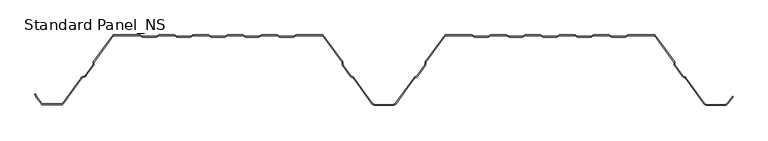
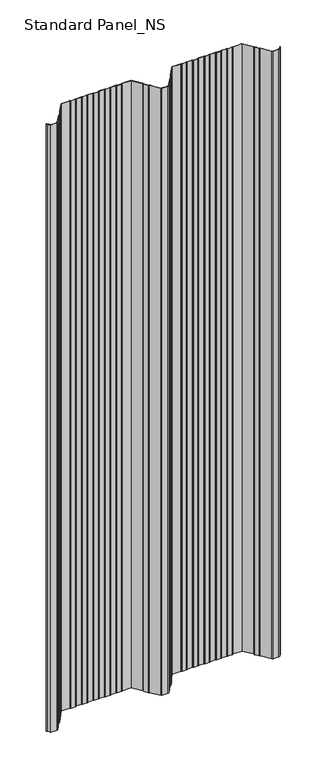
"""IFC4 building model written with IfcOpenShell, lengths in millimetres: proxy geometry, Standard Panel_NS."""

from ifc_helpers import new_model, si_unit, point, frame, frame_2d, origin, place, context, project, spatial, polyline, circle_curve, trimmed, segment, composite_curve, outline, extrude, source, transform, mapped, element, save


def standard_panel_ns_bf7d8505(model_context):
    return source(origin(), model_context, "Body", "SweptSolid", [
        extrude(outline(composite_curve([segment(polyline([(-491.8230656, -98.864737), (-498.391455, -89.8048897), (-500.5883845, -85.4014829), (-499.6935696, -84.9550455), (-497.5334489, -89.2846747), (-491.0134552, -98.2777695)]), True, "CONTINUOUS"), segment(trimmed(circle_curve(frame_2d((-489.5977664, -97.2513951)), 1.7486049), [point((-491.0134552, -98.2777695))], [point((-489.5977664, -99.0))], True, "CARTESIAN"), True, "CONTINUOUS"), segment(polyline([(-489.5977664, -99.0), (-462.4022336, -99.0)]), True, "CONTINUOUS"), segment(trimmed(circle_curve(frame_2d((-462.4022336, -97.2513951)), 1.7486049), [point((-462.4022336, -99.0))], [point((-460.9865448, -98.2777695))], True, "CARTESIAN"), True, "CONTINUOUS"), segment(polyline([(-460.9865448, -98.2777695), (-434.1908292, -61.3181617)]), True, "CONTINUOUS"), segment(trimmed(circle_curve(frame_2d((-431.96553, -62.9315037)), 2.7486049), [point((-434.1908292, -61.3181617))], [point((-432.9221697, -60.3547481))], False, "CARTESIAN"), True, "CONTINUOUS"), segment(polyline([(-432.9221697, -60.3547481), (-429.1284966, -58.9463185)]), True, "CONTINUOUS"), segment(trimmed(circle_curve(frame_2d((-429.7370908, -57.3070406)), 1.7486049), [point((-429.1284966, -58.9463185))], [point((-428.321402, -58.333415))], True, "CARTESIAN"), True, "CONTINUOUS"), segment(polyline([(-428.321402, -58.333415), (-417.5718646, -43.5064668)]), True, "CONTINUOUS"), segment(trimmed(circle_curve(frame_2d((-418.9875533, -42.4800924)), 1.7486049), [point((-417.5718646, -43.5064668))], [point((-417.240299, -42.5488047))], True, "CARTESIAN"), True, "CONTINUOUS"), segment(polyline([(-417.240299, -42.5488047), (-417.1521237, -40.3066321)]), True, "CONTINUOUS"), segment(trimmed(circle_curve(frame_2d((-414.4056417, -40.4146398)), 2.7486049), [point((-417.1521237, -40.3066321))], [point((-416.6309409, -38.8012978))], False, "CARTESIAN"), True, "CONTINUOUS"), segment(polyline([(-416.6309409, -38.8012978), (-388.5, 0.0), (-350.1655439, 0.0)]), True, "CONTINUOUS"), segment(trimmed(circle_curve(frame_2d((-350.1655439, -2.7486049)), 2.7486049), [point((-350.1655439, 0.0))], [point((-348.6408923, -0.4616274))], False, "CARTESIAN"), True, "CONTINUOUS"), segment(polyline([(-348.6408923, -0.4616274), (-346.7738498, -1.7063223)]), True, "CONTINUOUS"), segment(trimmed(circle_curve(frame_2d((-345.8038984, -0.2513951)), 1.7486049), [point((-346.7738498, -1.7063223))], [point((-345.8038984, -2.0))], True, "CARTESIAN"), True, "CONTINUOUS"), segment(polyline([(-345.8038984, -2.0), (-326.8627683, -2.0)]), True, "CONTINUOUS"), segment(trimmed(circle_curve(frame_2d((-326.8627683, -0.2513951)), 1.7486049), [point((-326.8627683, -2.0))], [point((-325.8928168, -1.7063223))], True, "CARTESIAN"), True, "CONTINUOUS"), segment(polyline([(-325.8928168, -1.7063223), (-324.0257744, -0.4616274)]), True, "CONTINUOUS"), segment(trimmed(circle_curve(frame_2d((-322.5011227, -2.7486049)), 2.7486049), [point((-324.0257744, -0.4616274))], [point((-322.5011227, 0.0))], False, "CARTESIAN"), True, "CONTINUOUS"), segment(polyline([(-322.5011227, 0.0), (-300.9988773, 0.0)]), True, "CONTINUOUS"), segment(trimmed(circle_curve(frame_2d((-300.9988773, -2.7486049)), 2.7486049), [point((-300.9988773, 0.0))], [point((-299.4742256, -0.4616274))], False, "CARTESIAN"), True, "CONTINUOUS"), segment(polyline([(-299.4742256, -0.4616274), (-297.6071832, -1.7063223)]), True, "CONTINUOUS"), segment(trimmed(circle_curve(frame_2d((-296.6372317, -0.2513951)), 1.7486049), [point((-297.6071832, -1.7063223))], [point((-296.6372317, -2.0))], True, "CARTESIAN"), True, "CONTINUOUS"), segment(polyline([(-296.6372317, -2.0), (-277.6961016, -2.0)]), True, "CONTINUOUS"), segment(trimmed(circle_curve(frame_2d((-277.6961016, -0.2513951)), 1.7486049), [point((-277.6961016, -2.0))], [point((-276.7261502, -1.7063223))], True, "CARTESIAN"), True, "CONTINUOUS"), segment(polyline([(-276.7261502, -1.7063223), (-274.8591077, -0.4616274)]), True, "CONTINUOUS"), segment(trimmed(circle_curve(frame_2d((-273.3344561, -2.7486049)), 2.7486049), [point((-274.8591077, -0.4616274))], [point((-273.3344561, 0.0))], False, "CARTESIAN"), True, "CONTINUOUS"), segment(polyline([(-273.3344561, 0.0), (-251.8322106, 0.0)]), True, "CONTINUOUS"), segment(trimmed(circle_curve(frame_2d((-251.8322106, -2.7486049)), 2.7486049), [point((-251.8322106, 0.0))], [point((-250.3075589, -0.4616274))], False, "CARTESIAN"), True, "CONTINUOUS"), segment(polyline([(-250.3075589, -0.4616274), (-248.4405165, -1.7063223)]), True, "CONTINUOUS"), segment(trimmed(circle_curve(frame_2d((-247.470565, -0.2513951)), 1.7486049), [point((-248.4405165, -1.7063223))], [point((-247.470565, -2.0))], True, "CARTESIAN"), True, "CONTINUOUS"), segment(polyline([(-247.470565, -2.0), (-228.529435, -2.0)]), True, "CONTINUOUS"), segment(trimmed(circle_curve(frame_2d((-228.529435, -0.2513951)), 1.7486049), [point((-228.529435, -2.0))], [point((-227.5594835, -1.7063223))], True, "CARTESIAN"), True, "CONTINUOUS"), segment(polyline([(-227.5594835, -1.7063223), (-225.6924411, -0.4616274)]), True, "CONTINUOUS"), segment(trimmed(circle_curve(frame_2d((-224.1677894, -2.7486049)), 2.7486049), [point((-225.6924411, -0.4616274))], [point((-224.1677894, 0.0))], False, "CARTESIAN"), True, "CONTINUOUS"), segment(polyline([(-224.1677894, 0.0), (-202.6655439, 0.0)]), True, "CONTINUOUS"), segment(trimmed(circle_curve(frame_2d((-202.6655439, -2.7486049)), 2.7486049), [point((-202.6655439, 0.0))], [point((-201.1408923, -0.4616274))], False, "CARTESIAN"), True, "CONTINUOUS"), segment(polyline([(-201.1408923, -0.4616274), (-199.2738498, -1.7063223)]), True, "CONTINUOUS"), segment(trimmed(circle_curve(frame_2d((-198.3038984, -0.2513951)), 1.7486049), [point((-199.2738498, -1.7063223))], [point((-198.3038984, -2.0))], True, "CARTESIAN"), True, "CONTINUOUS"), segment(polyline([(-198.3038984, -2.0), (-179.3627683, -2.0)]), True, "CONTINUOUS"), segment(trimmed(circle_curve(frame_2d((-179.3627683, -0.2513951)), 1.7486049), [point((-179.3627683, -2.0))], [point((-178.3928168, -1.7063223))], True, "CARTESIAN"), True, "CONTINUOUS"), segment(polyline([(-178.3928168, -1.7063223), (-176.5257744, -0.4616274)]), True, "CONTINUOUS"), segment(trimmed(circle_curve(frame_2d((-175.0011227, -2.7486049)), 2.7486049), [point((-176.5257744, -0.4616274))], [point((-175.0011227, 0.0))], False, "CARTESIAN"), True, "CONTINUOUS"), segment(polyline([(-175.0011227, 0.0), (-153.4988773, 0.0)]), True, "CONTINUOUS"), segment(trimmed(circle_curve(frame_2d((-153.4988773, -2.7486049)), 2.7486049), [point((-153.4988773, 0.0))], [point((-151.9742256, -0.4616274))], False, "CARTESIAN"), True, "CONTINUOUS"), segment(polyline([(-151.9742256, -0.4616274), (-150.1071832, -1.7063223)]), True, "CONTINUOUS"), segment(trimmed(circle_curve(frame_2d((-149.1372317, -0.2513951)), 1.7486049), [point((-150.1071832, -1.7063223))], [point((-149.1372317, -2.0))], True, "CARTESIAN"), True, "CONTINUOUS"), segment(polyline([(-149.1372317, -2.0), (-130.1961016, -2.0)]), True, "CONTINUOUS"), segment(trimmed(circle_curve(frame_2d((-130.1961016, -0.2513951)), 1.7486049), [point((-130.1961016, -2.0))], [point((-129.2261502, -1.7063223))], True, "CARTESIAN"), True, "CONTINUOUS"), segment(polyline([(-129.2261502, -1.7063223), (-127.3591077, -0.4616274)]), True, "CONTINUOUS"), segment(trimmed(circle_curve(frame_2d((-125.8344561, -2.7486049)), 2.7486049), [point((-127.3591077, -0.4616274))], [point((-125.8344561, 0.0))], False, "CARTESIAN"), True, "CONTINUOUS"), segment(polyline([(-125.8344561, 0.0), (-87.5, 0.0), (-59.3690591, -38.8012978)]), True, "CONTINUOUS"), segment(trimmed(circle_curve(frame_2d((-61.5943583, -40.4146398)), 2.7486049), [point((-59.3690591, -38.8012978))], [point((-58.8478763, -40.3066321))], False, "CARTESIAN"), True, "CONTINUOUS"), segment(polyline([(-58.8478763, -40.3066321), (-58.759701, -42.5488047)]), True, "CONTINUOUS"), segment(trimmed(circle_curve(frame_2d((-57.0124467, -42.4800924)), 1.7486049), [point((-58.759701, -42.5488047))], [point((-58.4281354, -43.5064668))], True, "CARTESIAN"), True, "CONTINUOUS"), segment(polyline([(-58.4281354, -43.5064668), (-47.3103063, -58.8414035)]), True, "CONTINUOUS"), segment(trimmed(circle_curve(frame_2d((-45.8946175, -57.8150291)), 1.7486049), [point((-47.3103063, -58.8414035))], [point((-46.5032117, -59.4543071))], True, "CARTESIAN"), True, "CONTINUOUS"), segment(polyline([(-46.5032117, -59.4543071), (-44.3996004, -60.2352885)]), True, "CONTINUOUS"), segment(trimmed(circle_curve(frame_2d((-45.3562402, -62.8120441)), 2.7486049), [point((-44.3996004, -60.2352885))], [point((-43.1309409, -61.1987022))], False, "CARTESIAN"), True, "CONTINUOUS"), segment(polyline([(-43.1309409, -61.1987022), (-16.4972426, -97.9348379)]), True, "CONTINUOUS"), segment(trimmed(circle_curve(frame_2d((-12.4491903, -95.0)), 5.0), [point((-16.4972426, -97.9348379))], [point((-12.4491903, -100.0))], True, "CARTESIAN"), True, "CONTINUOUS"), segment(polyline([(-12.4491903, -100.0), (12.4491903, -100.0)]), True, "CONTINUOUS"), segment(trimmed(circle_curve(frame_2d((12.4491903, -95.0)), 5.0), [point((12.4491903, -100.0))], [point((16.4972426, -97.9348379))], True, "CARTESIAN"), True, "CONTINUOUS"), segment(polyline([(16.4972426, -97.9348379), (43.1309409, -61.1987022)]), True, "CONTINUOUS"), segment(trimmed(circle_curve(frame_2d((45.3562402, -62.8120441)), 2.7486049), [point((43.1309409, -61.1987022))], [point((44.3996004, -60.2352885))], False, "CARTESIAN"), True, "CONTINUOUS"), segment(polyline([(44.3996004, -60.2352885), (46.5032117, -59.4543071)]), True, "CONTINUOUS"), segment(trimmed(circle_curve(frame_2d((45.8946175, -57.8150291)), 1.7486049), [point((46.5032117, -59.4543071))], [point((47.3103063, -58.8414035))], True, "CARTESIAN"), True, "CONTINUOUS"), segment(polyline([(47.3103063, -58.8414035), (58.4281354, -43.5064668)]), True, "CONTINUOUS"), segment(trimmed(circle_curve(frame_2d((57.0124467, -42.4800924)), 1.7486049), [point((58.4281354, -43.5064668))], [point((58.759701, -42.5488047))], True, "CARTESIAN"), True, "CONTINUOUS"), segment(polyline([(58.759701, -42.5488047), (58.8478763, -40.3066321)]), True, "CONTINUOUS"), segment(trimmed(circle_curve(frame_2d((61.5943583, -40.4146398)), 2.7486049), [point((58.8478763, -40.3066321))], [point((59.3690591, -38.8012978))], False, "CARTESIAN"), True, "CONTINUOUS"), segment(polyline([(59.3690591, -38.8012978), (87.5, 0.0), (125.8344561, 0.0)]), True, "CONTINUOUS"), segment(trimmed(circle_curve(frame_2d((125.8344561, -2.7486049)), 2.7486049), [point((125.8344561, 0.0))], [point((127.3591077, -0.4616274))], False, "CARTESIAN"), True, "CONTINUOUS"), segment(polyline([(127.3591077, -0.4616274), (129.2261502, -1.7063223)]), True, "CONTINUOUS"), segment(trimmed(circle_curve(frame_2d((130.1961016, -0.2513951)), 1.7486049), [point((129.2261502, -1.7063223))], [point((130.1961016, -2.0))], True, "CARTESIAN"), True, "CONTINUOUS"), segment(polyline([(130.1961016, -2.0), (149.1372317, -2.0)]), True, "CONTINUOUS"), segment(trimmed(circle_curve(frame_2d((149.1372317, -0.2513951)), 1.7486049), [point((149.1372317, -2.0))], [point((150.1071832, -1.7063223))], True, "CARTESIAN"), True, "CONTINUOUS"), segment(polyline([(150.1071832, -1.7063223), (151.9742256, -0.4616274)]), True, "CONTINUOUS"), segment(trimmed(circle_curve(frame_2d((153.4988773, -2.7486049)), 2.7486049), [point((151.9742256, -0.4616274))], [point((153.4988773, 0.0))], False, "CARTESIAN"), True, "CONTINUOUS"), segment(polyline([(153.4988773, 0.0), (175.0011227, 0.0)]), True, "CONTINUOUS"), segment(trimmed(circle_curve(frame_2d((175.0011227, -2.7486049)), 2.7486049), [point((175.0011227, 0.0))], [point((176.5257744, -0.4616274))], False, "CARTESIAN"), True, "CONTINUOUS"), segment(polyline([(176.5257744, -0.4616274), (178.3928168, -1.7063223)]), True, "CONTINUOUS"), segment(trimmed(circle_curve(frame_2d((179.3627683, -0.2513951)), 1.7486049), [point((178.3928168, -1.7063223))], [point((179.3627683, -2.0))], True, "CARTESIAN"), True, "CONTINUOUS"), segment(polyline([(179.3627683, -2.0), (198.3038984, -2.0)]), True, "CONTINUOUS"), segment(trimmed(circle_curve(frame_2d((198.3038984, -0.2513951)), 1.7486049), [point((198.3038984, -2.0))], [point((199.2738498, -1.7063223))], True, "CARTESIAN"), True, "CONTINUOUS"), segment(polyline([(199.2738498, -1.7063223), (201.1408923, -0.4616274)]), True, "CONTINUOUS"), segment(trimmed(circle_curve(frame_2d((202.6655439, -2.7486049)), 2.7486049), [point((201.1408923, -0.4616274))], [point((202.6655439, 0.0))], False, "CARTESIAN"), True, "CONTINUOUS"), segment(polyline([(202.6655439, 0.0), (224.1677894, 0.0)]), True, "CONTINUOUS"), segment(trimmed(circle_curve(frame_2d((224.1677894, -2.7486049)), 2.7486049), [point((224.1677894, 0.0))], [point((225.6924411, -0.4616274))], False, "CARTESIAN"), True, "CONTINUOUS"), segment(polyline([(225.6924411, -0.4616274), (227.5594835, -1.7063223)]), True, "CONTINUOUS"), segment(trimmed(circle_curve(frame_2d((228.529435, -0.2513951)), 1.7486049), [point((227.5594835, -1.7063223))], [point((228.529435, -2.0))], True, "CARTESIAN"), True, "CONTINUOUS"), segment(polyline([(228.529435, -2.0), (247.470565, -2.0)]), True, "CONTINUOUS"), segment(trimmed(circle_curve(frame_2d((247.470565, -0.2513951)), 1.7486049), [point((247.470565, -2.0))], [point((248.4405165, -1.7063223))], True, "CARTESIAN"), True, "CONTINUOUS"), segment(polyline([(248.4405165, -1.7063223), (250.3075589, -0.4616274)]), True, "CONTINUOUS"), segment(trimmed(circle_curve(frame_2d((251.8322106, -2.7486049)), 2.7486049), [point((250.3075589, -0.4616274))], [point((251.8322106, 0.0))], False, "CARTESIAN"), True, "CONTINUOUS"), segment(polyline([(251.8322106, 0.0), (273.3344561, 0.0)]), True, "CONTINUOUS"), segment(trimmed(circle_curve(frame_2d((273.3344561, -2.7486049)), 2.7486049), [point((273.3344561, 0.0))], [point((274.8591077, -0.4616274))], False, "CARTESIAN"), True, "CONTINUOUS"), segment(polyline([(274.8591077, -0.4616274), (276.7261502, -1.7063223)]), True, "CONTINUOUS"), segment(trimmed(circle_curve(frame_2d((277.6961016, -0.2513951)), 1.7486049), [point((276.7261502, -1.7063223))], [point((277.6961016, -2.0))], True, "CARTESIAN"), True, "CONTINUOUS"), segment(polyline([(277.6961016, -2.0), (296.6372317, -2.0)]), True, "CONTINUOUS"), segment(trimmed(circle_curve(frame_2d((296.6372317, -0.2513951)), 1.7486049), [point((296.6372317, -2.0))], [point((297.6071832, -1.7063223))], True, "CARTESIAN"), True, "CONTINUOUS"), segment(polyline([(297.6071832, -1.7063223), (299.4742256, -0.4616274)]), True, "CONTINUOUS"), segment(trimmed(circle_curve(frame_2d((300.9988773, -2.7486049)), 2.7486049), [point((299.4742256, -0.4616274))], [point((300.9988773, 0.0))], False, "CARTESIAN"), True, "CONTINUOUS"), segment(polyline([(300.9988773, 0.0), (322.5011227, 0.0)]), True, "CONTINUOUS"), segment(trimmed(circle_curve(frame_2d((322.5011227, -2.7486049)), 2.7486049), [point((322.5011227, 0.0))], [point((324.0257744, -0.4616274))], False, "CARTESIAN"), True, "CONTINUOUS"), segment(polyline([(324.0257744, -0.4616274), (325.8928168, -1.7063223)]), True, "CONTINUOUS"), segment(trimmed(circle_curve(frame_2d((326.8627683, -0.2513951)), 1.7486049), [point((325.8928168, -1.7063223))], [point((326.8627683, -2.0))], True, "CARTESIAN"), True, "CONTINUOUS"), segment(polyline([(326.8627683, -2.0), (345.8038984, -2.0)]), True, "CONTINUOUS"), segment(trimmed(circle_curve(frame_2d((345.8038984, -0.2513951)), 1.7486049), [point((345.8038984, -2.0))], [point((346.7738498, -1.7063223))], True, "CARTESIAN"), True, "CONTINUOUS"), segment(polyline([(346.7738498, -1.7063223), (348.6408923, -0.4616274)]), True, "CONTINUOUS"), segment(trimmed(circle_curve(frame_2d((350.1655439, -2.7486049)), 2.7486049), [point((348.6408923, -0.4616274))], [point((350.1655439, 0.0))], False, "CARTESIAN"), True, "CONTINUOUS"), segment(polyline([(350.1655439, 0.0), (388.5, 0.0), (416.6309409, -38.8012978)]), True, "CONTINUOUS"), segment(trimmed(circle_curve(frame_2d((414.4056417, -40.4146398)), 2.7486049), [point((416.6309409, -38.8012978))], [point((417.1521237, -40.3066321))], False, "CARTESIAN"), True, "CONTINUOUS"), segment(polyline([(417.1521237, -40.3066321), (417.240299, -42.5488047)]), True, "CONTINUOUS"), segment(trimmed(circle_curve(frame_2d((418.9875533, -42.4800924)), 1.7486049), [point((417.240299, -42.5488047))], [point((417.5718646, -43.5064668))], True, "CARTESIAN"), True, "CONTINUOUS"), segment(polyline([(417.5718646, -43.5064668), (428.6896937, -58.8414035)]), True, "CONTINUOUS"), segment(trimmed(circle_curve(frame_2d((430.1053825, -57.8150291)), 1.7486049), [point((428.6896937, -58.8414035))], [point((429.4967883, -59.4543071))], True, "CARTESIAN"), True, "CONTINUOUS"), segment(polyline([(429.4967883, -59.4543071), (431.6003996, -60.2352885)]), True, "CONTINUOUS"), segment(trimmed(circle_curve(frame_2d((430.6437598, -62.8120441)), 2.7486049), [point((431.6003996, -60.2352885))], [point((432.8690591, -61.1987022))], False, "CARTESIAN"), True, "CONTINUOUS"), segment(polyline([(432.8690591, -61.1987022), (459.5027574, -97.9348379)]), True, "CONTINUOUS"), segment(trimmed(circle_curve(frame_2d((463.5508097, -95.0)), 5.0), [point((459.5027574, -97.9348379))], [point((463.5508097, -100.0))], True, "CARTESIAN"), True, "CONTINUOUS"), segment(polyline([(463.5508097, -100.0), (488.4491903, -100.0)]), True, "CONTINUOUS"), segment(trimmed(circle_curve(frame_2d((488.4491903, -95.0)), 5.0), [point((488.4491903, -100.0))], [point((492.4972426, -97.9348379))], True, "CARTESIAN"), True, "CONTINUOUS"), segment(polyline([(492.4972426, -97.9348379), (499.8045136, -87.8558433), (500.614124, -88.4428109), (493.306853, -98.5218054)]), True, "CONTINUOUS"), segment(trimmed(circle_curve(frame_2d((488.4491903, -95.0)), 6.0), [point((493.306853, -98.5218054))], [point((488.4491903, -101.0))], False, "CARTESIAN"), True, "CONTINUOUS"), segment(polyline([(488.4491903, -101.0), (463.5508097, -101.0)]), True, "CONTINUOUS"), segment(trimmed(circle_curve(frame_2d((463.5508097, -95.0)), 6.0), [point((463.5508097, -101.0))], [point((458.693147, -98.5218054))], False, "CARTESIAN"), True, "CONTINUOUS"), segment(polyline([(458.693147, -98.5218054), (432.0594486, -61.7856697)]), True, "CONTINUOUS"), segment(trimmed(circle_curve(frame_2d((430.6437598, -62.8120441)), 1.7486049), [point((432.0594486, -61.7856697))], [point((431.252354, -61.1727662))], True, "CARTESIAN"), True, "CONTINUOUS"), segment(polyline([(431.252354, -61.1727662), (429.1487427, -60.3917847)]), True, "CONTINUOUS"), segment(trimmed(circle_curve(frame_2d((430.1053825, -57.8150291)), 2.7486049), [point((429.1487427, -60.3917847))], [point((427.8800832, -59.4283711))], False, "CARTESIAN"), True, "CONTINUOUS"), segment(polyline([(427.8800832, -59.4283711), (416.7622541, -44.0934344)]), True, "CONTINUOUS"), segment(trimmed(circle_curve(frame_2d((418.9875533, -42.4800924)), 2.7486049), [point((416.7622541, -44.0934344))], [point((416.2410714, -42.5881001))], False, "CARTESIAN"), True, "CONTINUOUS"), segment(polyline([(416.2410714, -42.5881001), (416.152896, -40.3459275)]), True, "CONTINUOUS"), segment(trimmed(circle_curve(frame_2d((414.4056417, -40.4146398)), 1.7486049), [point((416.152896, -40.3459275))], [point((415.8213305, -39.3882654))], True, "CARTESIAN"), True, "CONTINUOUS"), segment(polyline([(415.8213305, -39.3882654), (387.9898381, -1.0), (350.1655439, -1.0)]), True, "CONTINUOUS"), segment(trimmed(circle_curve(frame_2d((350.1655439, -2.7486049)), 1.7486049), [point((350.1655439, -1.0))], [point((349.1955925, -1.2936777))], True, "CARTESIAN"), True, "CONTINUOUS"), segment(polyline([(349.1955925, -1.2936777), (347.32855, -2.5383726)]), True, "CONTINUOUS"), segment(trimmed(circle_curve(frame_2d((345.8038984, -0.2513951)), 2.7486049), [point((347.32855, -2.5383726))], [point((345.8038984, -3.0))], False, "CARTESIAN"), True, "CONTINUOUS"), segment(polyline([(345.8038984, -3.0), (326.8627683, -3.0)]), True, "CONTINUOUS"), segment(trimmed(circle_curve(frame_2d((326.8627683, -0.2513951)), 2.7486049), [point((326.8627683, -3.0))], [point((325.3381166, -2.5383726))], False, "CARTESIAN"), True, "CONTINUOUS"), segment(polyline([(325.3381166, -2.5383726), (323.4710742, -1.2936777)]), True, "CONTINUOUS"), segment(trimmed(circle_curve(frame_2d((322.5011227, -2.7486049)), 1.7486049), [point((323.4710742, -1.2936777))], [point((322.5011227, -1.0))], True, "CARTESIAN"), True, "CONTINUOUS"), segment(polyline([(322.5011227, -1.0), (300.9988773, -1.0)]), True, "CONTINUOUS"), segment(trimmed(circle_curve(frame_2d((300.9988773, -2.7486049)), 1.7486049), [point((300.9988773, -1.0))], [point((300.0289258, -1.2936777))], True, "CARTESIAN"), True, "CONTINUOUS"), segment(polyline([(300.0289258, -1.2936777), (298.1618834, -2.5383726)]), True, "CONTINUOUS"), segment(trimmed(circle_curve(frame_2d((296.6372317, -0.2513951)), 2.7486049), [point((298.1618834, -2.5383726))], [point((296.6372317, -3.0))], False, "CARTESIAN"), True, "CONTINUOUS"), segment(polyline([(296.6372317, -3.0), (277.6961016, -3.0)]), True, "CONTINUOUS"), segment(trimmed(circle_curve(frame_2d((277.6961016, -0.2513951)), 2.7486049), [point((277.6961016, -3.0))], [point((276.17145, -2.5383726))], False, "CARTESIAN"), True, "CONTINUOUS"), segment(polyline([(276.17145, -2.5383726), (274.3044075, -1.2936777)]), True, "CONTINUOUS"), segment(trimmed(circle_curve(frame_2d((273.3344561, -2.7486049)), 1.7486049), [point((274.3044075, -1.2936777))], [point((273.3344561, -1.0))], True, "CARTESIAN"), True, "CONTINUOUS"), segment(polyline([(273.3344561, -1.0), (251.8322106, -1.0)]), True, "CONTINUOUS"), segment(trimmed(circle_curve(frame_2d((251.8322106, -2.7486049)), 1.7486049), [point((251.8322106, -1.0))], [point((250.8622591, -1.2936777))], True, "CARTESIAN"), True, "CONTINUOUS"), segment(polyline([(250.8622591, -1.2936777), (248.9952167, -2.5383726)]), True, "CONTINUOUS"), segment(trimmed(circle_curve(frame_2d((247.470565, -0.2513951)), 2.7486049), [point((248.9952167, -2.5383726))], [point((247.470565, -3.0))], False, "CARTESIAN"), True, "CONTINUOUS"), segment(polyline([(247.470565, -3.0), (228.529435, -3.0)]), True, "CONTINUOUS"), segment(trimmed(circle_curve(frame_2d((228.529435, -0.2513951)), 2.7486049), [point((228.529435, -3.0))], [point((227.0047833, -2.5383726))], False, "CARTESIAN"), True, "CONTINUOUS"), segment(polyline([(227.0047833, -2.5383726), (225.1377409, -1.2936777)]), True, "CONTINUOUS"), segment(trimmed(circle_curve(frame_2d((224.1677894, -2.7486049)), 1.7486049), [point((225.1377409, -1.2936777))], [point((224.1677894, -1.0))], True, "CARTESIAN"), True, "CONTINUOUS"), segment(polyline([(224.1677894, -1.0), (202.6655439, -1.0)]), True, "CONTINUOUS"), segment(trimmed(circle_curve(frame_2d((202.6655439, -2.7486049)), 1.7486049), [point((202.6655439, -1.0))], [point((201.6955925, -1.2936777))], True, "CARTESIAN"), True, "CONTINUOUS"), segment(polyline([(201.6955925, -1.2936777), (199.82855, -2.5383726)]), True, "CONTINUOUS"), segment(trimmed(circle_curve(frame_2d((198.3038984, -0.2513951)), 2.7486049), [point((199.82855, -2.5383726))], [point((198.3038984, -3.0))], False, "CARTESIAN"), True, "CONTINUOUS"), segment(polyline([(198.3038984, -3.0), (179.3627683, -3.0)]), True, "CONTINUOUS"), segment(trimmed(circle_curve(frame_2d((179.3627683, -0.2513951)), 2.7486049), [point((179.3627683, -3.0))], [point((177.8381166, -2.5383726))], False, "CARTESIAN"), True, "CONTINUOUS"), segment(polyline([(177.8381166, -2.5383726), (175.9710742, -1.2936777)]), True, "CONTINUOUS"), segment(trimmed(circle_curve(frame_2d((175.0011227, -2.7486049)), 1.7486049), [point((175.9710742, -1.2936777))], [point((175.0011227, -1.0))], True, "CARTESIAN"), True, "CONTINUOUS"), segment(polyline([(175.0011227, -1.0), (153.4988773, -1.0)]), True, "CONTINUOUS"), segment(trimmed(circle_curve(frame_2d((153.4988773, -2.7486049)), 1.7486049), [point((153.4988773, -1.0))], [point((152.5289258, -1.2936777))], True, "CARTESIAN"), True, "CONTINUOUS"), segment(polyline([(152.5289258, -1.2936777), (150.6618834, -2.5383726)]), True, "CONTINUOUS"), segment(trimmed(circle_curve(frame_2d((149.1372317, -0.2513951)), 2.7486049), [point((150.6618834, -2.5383726))], [point((149.1372317, -3.0))], False, "CARTESIAN"), True, "CONTINUOUS"), segment(polyline([(149.1372317, -3.0), (130.1961016, -3.0)]), True, "CONTINUOUS"), segment(trimmed(circle_curve(frame_2d((130.1961016, -0.2513951)), 2.7486049), [point((130.1961016, -3.0))], [point((128.67145, -2.5383726))], False, "CARTESIAN"), True, "CONTINUOUS"), segment(polyline([(128.67145, -2.5383726), (126.8044075, -1.2936777)]), True, "CONTINUOUS"), segment(trimmed(circle_curve(frame_2d((125.8344561, -2.7486049)), 1.7486049), [point((126.8044075, -1.2936777))], [point((125.8344561, -1.0))], True, "CARTESIAN"), True, "CONTINUOUS"), segment(polyline([(125.8344561, -1.0), (88.0101619, -1.0), (60.1786695, -39.3882654)]), True, "CONTINUOUS"), segment(trimmed(circle_curve(frame_2d((61.5943583, -40.4146398)), 1.7486049), [point((60.1786695, -39.3882654))], [point((59.847104, -40.3459275))], True, "CARTESIAN"), True, "CONTINUOUS"), segment(polyline([(59.847104, -40.3459275), (59.7589286, -42.5881001)]), True, "CONTINUOUS"), segment(trimmed(circle_curve(frame_2d((57.0124467, -42.4800924)), 2.7486049), [point((59.7589286, -42.5881001))], [point((59.2377459, -44.0934344))], False, "CARTESIAN"), True, "CONTINUOUS"), segment(polyline([(59.2377459, -44.0934344), (48.1199168, -59.4283711)]), True, "CONTINUOUS"), segment(trimmed(circle_curve(frame_2d((45.8946175, -57.8150291)), 2.7486049), [point((48.1199168, -59.4283711))], [point((46.8512573, -60.3917847))], False, "CARTESIAN"), True, "CONTINUOUS"), segment(polyline([(46.8512573, -60.3917847), (44.747646, -61.1727662)]), True, "CONTINUOUS"), segment(trimmed(circle_curve(frame_2d((45.3562402, -62.8120441)), 1.7486049), [point((44.747646, -61.1727662))], [point((43.9405514, -61.7856697))], True, "CARTESIAN"), True, "CONTINUOUS"), segment(polyline([(43.9405514, -61.7856697), (17.306853, -98.5218054)]), True, "CONTINUOUS"), segment(trimmed(circle_curve(frame_2d((12.4491903, -95.0)), 6.0), [point((17.306853, -98.5218054))], [point((12.4491903, -101.0))], False, "CARTESIAN"), True, "CONTINUOUS"), segment(polyline([(12.4491903, -101.0), (-12.4491903, -101.0)]), True, "CONTINUOUS"), segment(trimmed(circle_curve(frame_2d((-12.4491903, -95.0)), 6.0), [point((-12.4491903, -101.0))], [point((-17.306853, -98.5218054))], False, "CARTESIAN"), True, "CONTINUOUS"), segment(polyline([(-17.306853, -98.5218054), (-43.9405514, -61.7856697)]), True, "CONTINUOUS"), segment(trimmed(circle_curve(frame_2d((-45.3562402, -62.8120441)), 1.7486049), [point((-43.9405514, -61.7856697))], [point((-44.747646, -61.1727662))], True, "CARTESIAN"), True, "CONTINUOUS"), segment(polyline([(-44.747646, -61.1727662), (-46.8512573, -60.3917847)]), True, "CONTINUOUS"), segment(trimmed(circle_curve(frame_2d((-45.8946175, -57.8150291)), 2.7486049), [point((-46.8512573, -60.3917847))], [point((-48.1199168, -59.4283711))], False, "CARTESIAN"), True, "CONTINUOUS"), segment(polyline([(-48.1199168, -59.4283711), (-59.2377459, -44.0934344)]), True, "CONTINUOUS"), segment(trimmed(circle_curve(frame_2d((-57.0124467, -42.4800924)), 2.7486049), [point((-59.2377459, -44.0934344))], [point((-59.7589286, -42.5881001))], False, "CARTESIAN"), True, "CONTINUOUS"), segment(polyline([(-59.7589286, -42.5881001), (-59.847104, -40.3459275)]), True, "CONTINUOUS"), segment(trimmed(circle_curve(frame_2d((-61.5943583, -40.4146398)), 1.7486049), [point((-59.847104, -40.3459275))], [point((-60.1786695, -39.3882654))], True, "CARTESIAN"), True, "CONTINUOUS"), segment(polyline([(-60.1786695, -39.3882654), (-88.0101619, -1.0), (-125.8344561, -1.0)]), True, "CONTINUOUS"), segment(trimmed(circle_curve(frame_2d((-125.8344561, -2.7486049)), 1.7486049), [point((-125.8344561, -1.0))], [point((-126.8044075, -1.2936777))], True, "CARTESIAN"), True, "CONTINUOUS"), segment(polyline([(-126.8044075, -1.2936777), (-128.67145, -2.5383726)]), True, "CONTINUOUS"), segment(trimmed(circle_curve(frame_2d((-130.1961016, -0.2513951)), 2.7486049), [point((-128.67145, -2.5383726))], [point((-130.1961016, -3.0))], False, "CARTESIAN"), True, "CONTINUOUS"), segment(polyline([(-130.1961016, -3.0), (-149.1372317, -3.0)]), True, "CONTINUOUS"), segment(trimmed(circle_curve(frame_2d((-149.1372317, -0.2513951)), 2.7486049), [point((-149.1372317, -3.0))], [point((-150.6618834, -2.5383726))], False, "CARTESIAN"), True, "CONTINUOUS"), segment(polyline([(-150.6618834, -2.5383726), (-152.5289258, -1.2936777)]), True, "CONTINUOUS"), segment(trimmed(circle_curve(frame_2d((-153.4988773, -2.7486049)), 1.7486049), [point((-152.5289258, -1.2936777))], [point((-153.4988773, -1.0))], True, "CARTESIAN"), True, "CONTINUOUS"), segment(polyline([(-153.4988773, -1.0), (-175.0011227, -1.0)]), True, "CONTINUOUS"), segment(trimmed(circle_curve(frame_2d((-175.0011227, -2.7486049)), 1.7486049), [point((-175.0011227, -1.0))], [point((-175.9710742, -1.2936777))], True, "CARTESIAN"), True, "CONTINUOUS"), segment(polyline([(-175.9710742, -1.2936777), (-177.8381166, -2.5383726)]), True, "CONTINUOUS"), segment(trimmed(circle_curve(frame_2d((-179.3627683, -0.2513951)), 2.7486049), [point((-177.8381166, -2.5383726))], [point((-179.3627683, -3.0))], False, "CARTESIAN"), True, "CONTINUOUS"), segment(polyline([(-179.3627683, -3.0), (-198.3038984, -3.0)]), True, "CONTINUOUS"), segment(trimmed(circle_curve(frame_2d((-198.3038984, -0.2513951)), 2.7486049), [point((-198.3038984, -3.0))], [point((-199.82855, -2.5383726))], False, "CARTESIAN"), True, "CONTINUOUS"), segment(polyline([(-199.82855, -2.5383726), (-201.6955925, -1.2936777)]), True, "CONTINUOUS"), segment(trimmed(circle_curve(frame_2d((-202.6655439, -2.7486049)), 1.7486049), [point((-201.6955925, -1.2936777))], [point((-202.6655439, -1.0))], True, "CARTESIAN"), True, "CONTINUOUS"), segment(polyline([(-202.6655439, -1.0), (-224.1677894, -1.0)]), True, "CONTINUOUS"), segment(trimmed(circle_curve(frame_2d((-224.1677894, -2.7486049)), 1.7486049), [point((-224.1677894, -1.0))], [point((-225.1377409, -1.2936777))], True, "CARTESIAN"), True, "CONTINUOUS"), segment(polyline([(-225.1377409, -1.2936777), (-227.0047833, -2.5383726)]), True, "CONTINUOUS"), segment(trimmed(circle_curve(frame_2d((-228.529435, -0.2513951)), 2.7486049), [point((-227.0047833, -2.5383726))], [point((-228.529435, -3.0))], False, "CARTESIAN"), True, "CONTINUOUS"), segment(polyline([(-228.529435, -3.0), (-247.470565, -3.0)]), True, "CONTINUOUS"), segment(trimmed(circle_curve(frame_2d((-247.470565, -0.2513951)), 2.7486049), [point((-247.470565, -3.0))], [point((-248.9952167, -2.5383726))], False, "CARTESIAN"), True, "CONTINUOUS"), segment(polyline([(-248.9952167, -2.5383726), (-250.8622591, -1.2936777)]), True, "CONTINUOUS"), segment(trimmed(circle_curve(frame_2d((-251.8322106, -2.7486049)), 1.7486049), [point((-250.8622591, -1.2936777))], [point((-251.8322106, -1.0))], True, "CARTESIAN"), True, "CONTINUOUS"), segment(polyline([(-251.8322106, -1.0), (-273.3344561, -1.0)]), True, "CONTINUOUS"), segment(trimmed(circle_curve(frame_2d((-273.3344561, -2.7486049)), 1.7486049), [point((-273.3344561, -1.0))], [point((-274.3044075, -1.2936777))], True, "CARTESIAN"), True, "CONTINUOUS"), segment(polyline([(-274.3044075, -1.2936777), (-276.17145, -2.5383726)]), True, "CONTINUOUS"), segment(trimmed(circle_curve(frame_2d((-277.6961016, -0.2513951)), 2.7486049), [point((-276.17145, -2.5383726))], [point((-277.6961016, -3.0))], False, "CARTESIAN"), True, "CONTINUOUS"), segment(polyline([(-277.6961016, -3.0), (-296.6372317, -3.0)]), True, "CONTINUOUS"), segment(trimmed(circle_curve(frame_2d((-296.6372317, -0.2513951)), 2.7486049), [point((-296.6372317, -3.0))], [point((-298.1618834, -2.5383726))], False, "CARTESIAN"), True, "CONTINUOUS"), segment(polyline([(-298.1618834, -2.5383726), (-300.0289258, -1.2936777)]), True, "CONTINUOUS"), segment(trimmed(circle_curve(frame_2d((-300.9988773, -2.7486049)), 1.7486049), [point((-300.0289258, -1.2936777))], [point((-300.9988773, -1.0))], True, "CARTESIAN"), True, "CONTINUOUS"), segment(polyline([(-300.9988773, -1.0), (-322.5011227, -1.0)]), True, "CONTINUOUS"), segment(trimmed(circle_curve(frame_2d((-322.5011227, -2.7486049)), 1.7486049), [point((-322.5011227, -1.0))], [point((-323.4710742, -1.2936777))], True, "CARTESIAN"), True, "CONTINUOUS"), segment(polyline([(-323.4710742, -1.2936777), (-325.3381166, -2.5383726)]), True, "CONTINUOUS"), segment(trimmed(circle_curve(frame_2d((-326.8627683, -0.2513951)), 2.7486049), [point((-325.3381166, -2.5383726))], [point((-326.8627683, -3.0))], False, "CARTESIAN"), True, "CONTINUOUS"), segment(polyline([(-326.8627683, -3.0), (-345.8038984, -3.0)]), True, "CONTINUOUS"), segment(trimmed(circle_curve(frame_2d((-345.8038984, -0.2513951)), 2.7486049), [point((-345.8038984, -3.0))], [point((-347.32855, -2.5383726))], False, "CARTESIAN"), True, "CONTINUOUS"), segment(polyline([(-347.32855, -2.5383726), (-349.1955925, -1.2936777)]), True, "CONTINUOUS"), segment(trimmed(circle_curve(frame_2d((-350.1655439, -2.7486049)), 1.7486049), [point((-349.1955925, -1.2936777))], [point((-350.1655439, -1.0))], True, "CARTESIAN"), True, "CONTINUOUS"), segment(polyline([(-350.1655439, -1.0), (-387.9898381, -1.0), (-415.8213305, -39.3882654)]), True, "CONTINUOUS"), segment(trimmed(circle_curve(frame_2d((-414.4056417, -40.4146398)), 1.7486049), [point((-415.8213305, -39.3882654))], [point((-416.152896, -40.3459275))], True, "CARTESIAN"), True, "CONTINUOUS"), segment(polyline([(-416.152896, -40.3459275), (-416.2410714, -42.5881001)]), True, "CONTINUOUS"), segment(trimmed(circle_curve(frame_2d((-418.9875533, -42.4800924)), 2.7486049), [point((-416.2410714, -42.5881001))], [point((-416.7622541, -44.0934344))], False, "CARTESIAN"), True, "CONTINUOUS"), segment(polyline([(-416.7622541, -44.0934344), (-427.5117915, -58.9203825)]), True, "CONTINUOUS"), segment(trimmed(circle_curve(frame_2d((-429.7370908, -57.3070406)), 2.7486049), [point((-427.5117915, -58.9203825))], [point((-428.780451, -59.8837962))], False, "CARTESIAN"), True, "CONTINUOUS"), segment(polyline([(-428.780451, -59.8837962), (-432.5741242, -61.2922257)]), True, "CONTINUOUS"), segment(trimmed(circle_curve(frame_2d((-431.96553, -62.9315037)), 1.7486049), [point((-432.5741242, -61.2922257))], [point((-433.3812187, -61.9051293))], True, "CARTESIAN"), True, "CONTINUOUS"), segment(polyline([(-433.3812187, -61.9051293), (-460.1769344, -98.864737)]), True, "CONTINUOUS"), segment(trimmed(circle_curve(frame_2d((-462.4022336, -97.2513951)), 2.7486049), [point((-460.1769344, -98.864737))], [point((-462.4022336, -100.0))], False, "CARTESIAN"), True, "CONTINUOUS"), segment(polyline([(-462.4022336, -100.0), (-489.5977664, -100.0)]), True, "CONTINUOUS"), segment(trimmed(circle_curve(frame_2d((-489.5977664, -97.2513951)), 2.7486049), [point((-489.5977664, -100.0))], [point((-491.8230656, -98.864737))], False, "CARTESIAN"), True, "CONTINUOUS")], self_intersect=False)), frame((0.0, 0.0, -250.0), z_axis=(0.0, 0.0, 1.0), x_axis=(1.0, 0.0, 0.0)), (0.0, 0.0, 1.0), 2750.0),
    ])


if __name__ == "__main__":
    model = new_model("IFC4")
    model_context = context("Model", 3, world=origin())
    ifc_project = project(units=[si_unit("LENGTHUNIT", "METRE", prefix="MILLI")], contexts=[model_context])
    site = spatial("IfcSite", under=ifc_project)
    building = spatial("IfcBuilding", under=site)
    placement = place(None, origin())
    standard_panel_ns_shape = standard_panel_ns_bf7d8505(model_context)
    element("IfcBuildingElementProxy", 1, Name="Standard Panel_NS", ObjectType="Standard Panel_NS", at=placement, inside=building, context=model_context, shape_type="MappedRepresentation", body=[
        mapped(standard_panel_ns_shape, transform((0.0, 0.0, 0.0), x_axis=(1.0, 0.0, 0.0), y_axis=(0.0, 1.0, 0.0), z_axis=(0.0, 0.0, 1.0))),
    ])
    save(model, "model.ifc")
